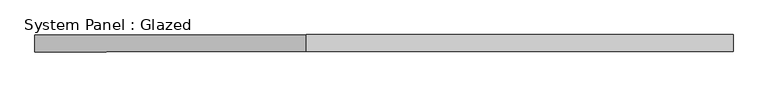
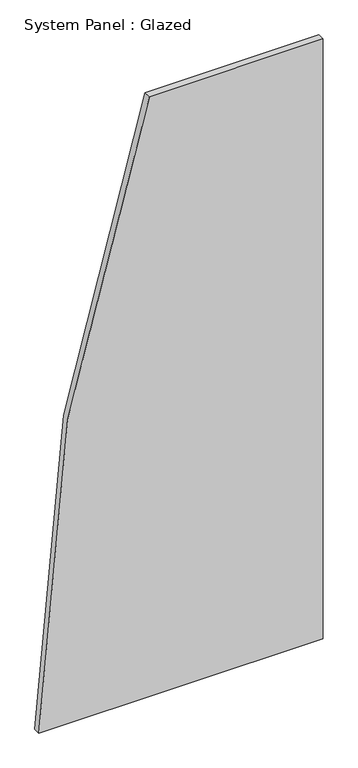
"""IFC4 building model written with IfcOpenShell, lengths in millimetres: plate geometry, System Panel : Glazed."""

from ifc_helpers import new_model, si_unit, point, frame, frame_2d, origin, place, context, project, spatial, polyline, circle_curve, trimmed, segment, composite_curve, outline, extrude, source, transform, mapped, element, save


def system_panel_glazed_8b390329(model_context):
    return source(origin(), model_context, "Body", "SweptSolid", [
        extrude(outline(composite_curve([segment(polyline([(0.0, -510.7339535), (0.0, 510.7339535), (2276.8533559, 510.7339535), (2276.8533559, -113.7873502)]), True, "CONTINUOUS"), segment(trimmed(circle_curve(frame_2d((-50.0, 6504.4578864)), 7015.3700225), [point((2276.8533559, -113.7873502))], [point((0.0, -510.7339535))], False, "CARTESIAN"), True, "CONTINUOUS")], self_intersect=False)), frame((0.0, 24.5, 0.0), z_axis=(0.0, 1.0, 0.0), x_axis=(0.0, 0.0, 1.0)), (0.0, 0.0, 1.0), 25.0),
    ])


if __name__ == "__main__":
    model = new_model("IFC4")
    model_context = context("Model", 3, world=origin())
    ifc_project = project(units=[si_unit("LENGTHUNIT", "METRE", prefix="MILLI")], contexts=[model_context])
    site = spatial("IfcSite", under=ifc_project)
    building = spatial("IfcBuilding", under=site)
    placement = place(None, origin())
    system_panel_glazed_shape = system_panel_glazed_8b390329(model_context)
    element("IfcPlate", 1, ObjectType="System Panel : Glazed", at=placement, inside=building, context=model_context, shape_type="MappedRepresentation", body=[
        mapped(system_panel_glazed_shape, transform((0.0, 0.0, 0.0), x_axis=(1.0, 0.0, 0.0), y_axis=(0.0, 1.0, 0.0), z_axis=(0.0, 0.0, 1.0))),
    ])
    save(model, "model.ifc")
